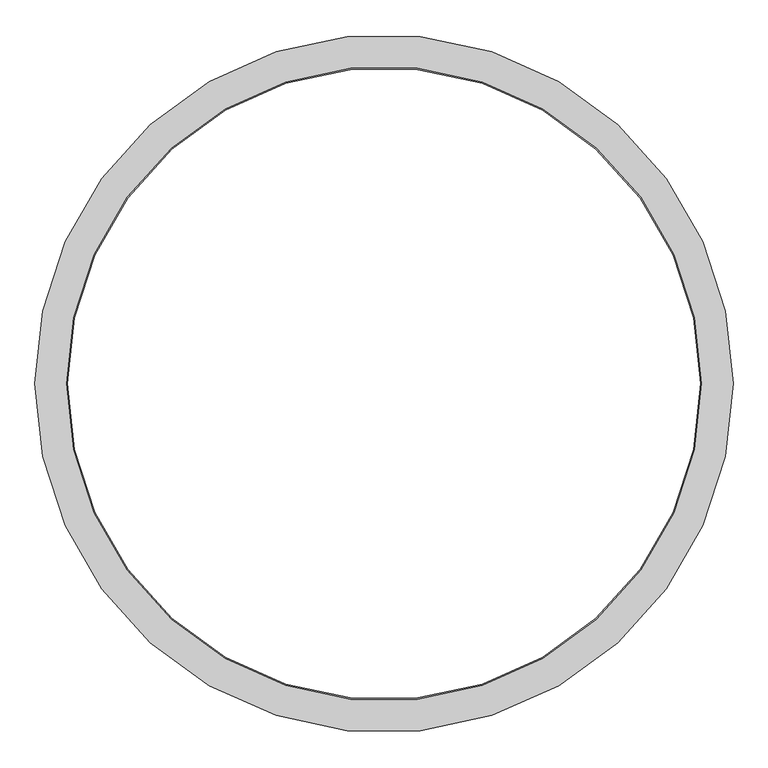
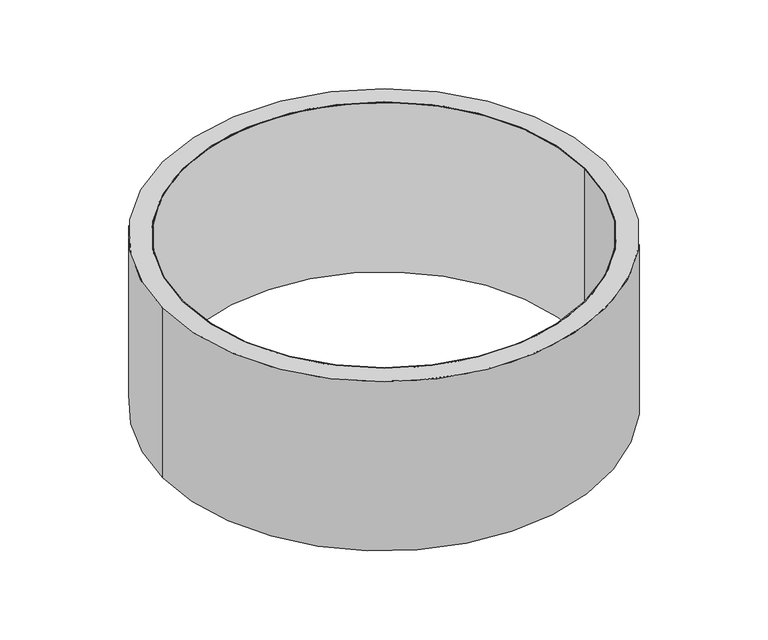
"""IFC4 building model written with IfcOpenShell, lengths in millimetres: proxy geometry."""

from ifc_helpers import new_model, si_unit, point, origin, origin_with_axes, origin_2d, place, context, project, spatial, circle_curve, trimmed, segment, composite_curve, outline, extrude, source, transform, mapped, element, save


def generic_models_bdd8494a(model_context):
    return source(origin(), model_context, "Body", "SweptSolid", [
        extrude(outline(composite_curve([segment(trimmed(circle_curve(origin_2d(), 1000.0), [point((-1000.0, 0.0))], [point((1000.0, 0.0))], False, "CARTESIAN"), True, "CONTINUOUS"), segment(trimmed(circle_curve(origin_2d(), 1000.0), [point((1000.0, 0.0))], [point((-1000.0, 0.0))], False, "CARTESIAN"), True, "CONTINUOUS")], self_intersect=False), holes=[composite_curve([segment(trimmed(circle_curve(origin_2d(), 996.0), [point((-996.0, 0.0))], [point((996.0, 0.0))], True, "CARTESIAN"), True, "CONTINUOUS"), segment(trimmed(circle_curve(origin_2d(), 996.0), [point((996.0, 0.0))], [point((-996.0, 0.0))], True, "CARTESIAN"), True, "CONTINUOUS")], self_intersect=False)]), origin_with_axes(), (0.0, 0.0, 1.0), 890.0),
        extrude(outline(composite_curve([segment(trimmed(circle_curve(origin_2d(), 1100.0), [point((-1100.0, 0.0))], [point((1100.0, 0.0))], False, "CARTESIAN"), True, "CONTINUOUS"), segment(trimmed(circle_curve(origin_2d(), 1100.0), [point((1100.0, 0.0))], [point((-1100.0, 0.0))], False, "CARTESIAN"), True, "CONTINUOUS")], self_intersect=False), holes=[composite_curve([segment(trimmed(circle_curve(origin_2d(), 1000.0), [point((-1000.0, 0.0))], [point((1000.0, 0.0))], True, "CARTESIAN"), True, "CONTINUOUS"), segment(trimmed(circle_curve(origin_2d(), 1000.0), [point((1000.0, 0.0))], [point((-1000.0, 0.0))], True, "CARTESIAN"), True, "CONTINUOUS")], self_intersect=False)]), origin_with_axes(), (0.0, 0.0, 1.0), 890.0),
    ])


if __name__ == "__main__":
    model = new_model("IFC4")
    model_context = context("Model", 3, world=origin())
    ifc_project = project(units=[si_unit("LENGTHUNIT", "METRE", prefix="MILLI")], contexts=[model_context])
    site = spatial("IfcSite", under=ifc_project)
    building = spatial("IfcBuilding", under=site)
    placement = place(None, origin())
    generic_models_shape = generic_models_bdd8494a(model_context)
    element("IfcBuildingElementProxy", 1, Name="Generic Models", at=placement, inside=building, context=model_context, shape_type="MappedRepresentation", body=[
        mapped(generic_models_shape, transform((0.0, 0.0, 0.0), x_axis=(1.0, 0.0, 0.0), y_axis=(0.0, 1.0, 0.0), z_axis=(0.0, 0.0, 1.0))),
    ])
    save(model, "model.ifc")
